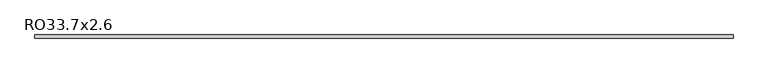
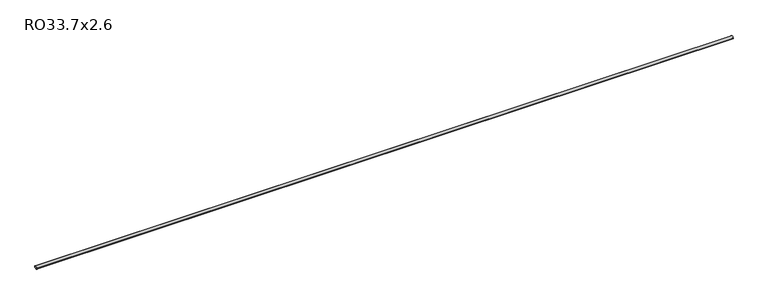
"""IFC4 building model written with IfcOpenShell, lengths in millimetres: beam geometry, RO33.7x2.6."""

import ifcopenshell
import ifcopenshell.guid

model = None  # the IFC model being written
_history = None  # IfcOwnerHistory: only IFC2X3 demands one
_inside = {}  # id of a spatial element -> (the spatial element, [elements in it])
_under = {}  # id of a project, library or spatial element -> (it, [spatial elements below it])
_declared = {}  # id of a project -> (the project, [libraries it declares])
_typed = {}  # id of a type object -> (the type object, [elements of that type])
_made_of = {}  # id of a material, layer set ... -> (it, [elements and type objects made of it])


def new_model(schema):
    """Start an empty IFC model of exactly this schema.

    Asked for "IFC4X3", IfcOpenShell would pick the latest addendum, in which some entities
    have other attributes; the version numbers below select the first issue.
    IFC2X3 requires an IfcOwnerHistory on every rooted entity: one is made here for all.
    """
    global model, _history
    if schema == "IFC4X3":
        model = ifcopenshell.file(schema_version=(4, 3, 0, 0))
    else:
        model = ifcopenshell.file(schema=schema)
    _inside.clear()
    _under.clear()
    _declared.clear()
    _typed.clear()
    _made_of.clear()
    _history = None
    if model.schema == "IFC2X3":
        org = make("IfcOrganization", Name="unknown")
        user = make(
            "IfcPersonAndOrganization",
            ThePerson=make("IfcPerson", FamilyName="unknown"),
            TheOrganization=org,
        )
        app = make(
            "IfcApplication",
            ApplicationDeveloper=org,
            Version="unknown",
            ApplicationFullName="unknown",
            ApplicationIdentifier="unknown",
        )
        _history = make(
            "IfcOwnerHistory",
            OwningUser=user,
            OwningApplication=app,
            ChangeAction="ADDED",
            CreationDate=0,
        )
    return model


def make(cls, **values):
    """One entity of the class cls with the attributes given. An attribute that is None is left unset."""
    return model.create_entity(
        cls, **{name: value for name, value in values.items() if value is not None}
    )


def rooted(cls, **values):
    """An entity with a GlobalId (a new one), such as an element, a storey or a relation."""
    return make(cls, GlobalId=ifcopenshell.guid.new(), OwnerHistory=_history, **values)


def si_unit(unit_type, name, prefix=None):
    """IfcSIUnit, for example si_unit("LENGTHUNIT", "METRE", prefix="MILLI")."""
    return make("IfcSIUnit", UnitType=unit_type, Prefix=prefix, Name=name)


def assignment(units):
    """IfcUnitAssignment: the units of a project."""
    return None if units is None else make("IfcUnitAssignment", Units=units)


def point(xyz):
    """IfcCartesianPoint."""
    return None if xyz is None else make("IfcCartesianPoint", Coordinates=xyz)


def direction(xyz):
    """IfcDirection."""
    return None if xyz is None else make("IfcDirection", DirectionRatios=xyz)


def frame(location, z_axis=None, x_axis=None):
    """IfcAxis2Placement3D, a coordinate frame: its origin and axes. An axis left out is left unset."""
    return make(
        "IfcAxis2Placement3D",
        Location=point(location),
        Axis=direction(z_axis),
        RefDirection=direction(x_axis),
    )


def frame_2d(location, x_axis=None):
    """IfcAxis2Placement2D, a coordinate frame in the plane: its origin and x axis."""
    return make(
        "IfcAxis2Placement2D", Location=point(location), RefDirection=direction(x_axis)
    )


def origin():
    """The frame at (0, 0, 0) with its axes left unset."""
    return frame((0.0, 0.0, 0.0))


def origin_2d():
    """The frame at (0, 0) in the plane with its x axis left unset."""
    return frame_2d((0.0, 0.0))


def place(relative_to, where):
    """IfcLocalPlacement: puts the frame where relative to a parent placement (None: the world)."""
    return make(
        "IfcLocalPlacement", PlacementRelTo=relative_to, RelativePlacement=where
    )


def context(
    kind, dimensions, precision=None, world=None, true_north=None, identifier=None
):
    """IfcGeometricRepresentationContext, for example the 3D "Model" context."""
    return make(
        "IfcGeometricRepresentationContext",
        ContextIdentifier=identifier,
        ContextType=kind,
        CoordinateSpaceDimension=dimensions,
        Precision=precision,
        WorldCoordinateSystem=world,
        TrueNorth=true_north,
    )


def project(units=None, contexts=None):
    """IfcProject with its units and contexts."""
    return rooted(
        "IfcProject",
        Name="project",
        RepresentationContexts=contexts,
        UnitsInContext=assignment(units),
    )


def spatial(cls, under=None, at=None, **own):
    """A site, building, storey or space (cls), placed at a placement, below another one or the project."""
    s = rooted(cls, ObjectPlacement=at, **own)
    if under is not None:
        _under.setdefault(under.id(), (under, []))[1].append(s)
    return s


def circle_curve(where, radius):
    """IfcCircle in the frame where."""
    return make("IfcCircle", Position=where, Radius=radius)


def trimmed(basis, trim1, trim2, sense, master):
    """IfcTrimmedCurve: the piece of a basis curve between two trims."""
    return make(
        "IfcTrimmedCurve",
        BasisCurve=basis,
        Trim1=trim1,
        Trim2=trim2,
        SenseAgreement=sense,
        MasterRepresentation=master,
    )


def segment(curve, same_sense, transition):
    """IfcCompositeCurveSegment."""
    return make(
        "IfcCompositeCurveSegment",
        Transition=transition,
        SameSense=same_sense,
        ParentCurve=curve,
    )


def composite_curve(segments, self_intersect=None):
    """IfcCompositeCurve: segments joined end to end."""
    return make("IfcCompositeCurve", Segments=segments, SelfIntersect=self_intersect)


def outline(outer, holes=None, kind="AREA"):
    """IfcArbitraryClosedProfileDef: a profile drawn as a closed curve; with holes, ...WithVoids."""
    if holes is None:
        return make("IfcArbitraryClosedProfileDef", ProfileType=kind, OuterCurve=outer)
    return make(
        "IfcArbitraryProfileDefWithVoids",
        ProfileType=kind,
        OuterCurve=outer,
        InnerCurves=holes,
    )


def extrude(swept, where, along, depth):
    """IfcExtrudedAreaSolid: the profile swept, set in the frame where, extruded along a direction by depth."""
    return make(
        "IfcExtrudedAreaSolid",
        SweptArea=swept,
        Position=where,
        ExtrudedDirection=direction(along),
        Depth=depth,
    )


def shape(context_of_items, identifier, shape_type, items):
    """IfcShapeRepresentation: the items that make up one representation, for example the "Body"."""
    return make(
        "IfcShapeRepresentation",
        ContextOfItems=context_of_items,
        RepresentationIdentifier=identifier,
        RepresentationType=shape_type,
        Items=items,
    )


def source(mapping_origin, context_of_items, identifier, shape_type, items):
    """IfcRepresentationMap: a shape defined once, which mapped items show again and again."""
    return make(
        "IfcRepresentationMap",
        MappingOrigin=mapping_origin,
        MappedRepresentation=shape(context_of_items, identifier, shape_type, items),
    )


def transform(
    local_origin,
    x_axis=None,
    y_axis=None,
    z_axis=None,
    scale=None,
    scale2=None,
    scale3=None,
    uniform=True,
):
    """IfcCartesianTransformationOperator3D, or its non-uniform kind. x_axis, y_axis, z_axis: its Axis1, 2, 3."""
    if uniform:
        return make(
            "IfcCartesianTransformationOperator3D",
            Axis1=direction(x_axis),
            Axis2=direction(y_axis),
            LocalOrigin=point(local_origin),
            Scale=scale,
            Axis3=direction(z_axis),
        )
    return make(
        "IfcCartesianTransformationOperator3DnonUniform",
        Axis1=direction(x_axis),
        Axis2=direction(y_axis),
        LocalOrigin=point(local_origin),
        Scale=scale,
        Axis3=direction(z_axis),
        Scale2=scale2,
        Scale3=scale3,
    )


def mapped(mapping_source, mapping_target):
    """IfcMappedItem: shows the shape of a source again, moved by a transform."""
    return make(
        "IfcMappedItem", MappingSource=mapping_source, MappingTarget=mapping_target
    )


def made_of(thing, what):
    """Note that an element or type object is made of a material, layer set ...; save() writes the relation."""
    if what is not None:
        _made_of.setdefault(what.id(), (what, []))[1].append(thing)
    return thing


def element(
    cls,
    number,
    at=None,
    inside=None,
    cuts=None,
    type_object=None,
    material=None,
    context=None,
    identifier="Body",
    shape_type=None,
    held_by="IfcProductDefinitionShape",
    body=None,
    shapes=None,
    **own,
):
    """One element of the class cls, such as IfcWall. Its Tag is "e" and its number.

    at: its placement. inside: the storey or other place that contains it. cuts: it is an
    opening in that element (IfcRelVoidsElement). A single representation is given by context,
    identifier, shape_type and body (its items); several are given by shapes. held_by: the class
    of the entity that holds the representations. save() writes the other relations.
    """
    e = rooted(cls, Tag="e%d" % number, ObjectPlacement=at, **own)
    if body is not None:
        shapes = [shape(context, identifier, shape_type, body)]
    if shapes is not None:
        e.Representation = make(held_by, Representations=shapes)
    if inside is not None:
        _inside.setdefault(inside.id(), (inside, []))[1].append(e)
    if cuts is not None:
        rooted(
            "IfcRelVoidsElement", RelatingBuildingElement=cuts, RelatedOpeningElement=e
        )
    if type_object is not None:
        _typed.setdefault(type_object.id(), (type_object, []))[1].append(e)
    return made_of(e, material)


def aggregate(whole, parts):
    """IfcRelAggregates: a whole, such as a stair, and the parts it consists of."""
    return rooted("IfcRelAggregates", RelatingObject=whole, RelatedObjects=parts)


def save(model, path):
    """Write the relations noted so far, then the file.

    IfcRelAggregates (storeys below a building ...), IfcRelContainedInSpatialStructure (elements
    in a storey), IfcRelDefinesByType, IfcRelAssociatesMaterial and IfcRelDeclares: one each for
    every whole, place, type object, material and project.
    """
    for whole, parts in _under.values():
        aggregate(whole, parts)
    for where, things in _inside.values():
        rooted(
            "IfcRelContainedInSpatialStructure",
            RelatedElements=things,
            RelatingStructure=where,
        )
    for kind, things in _typed.values():
        rooted("IfcRelDefinesByType", RelatedObjects=things, RelatingType=kind)
    for what, things in _made_of.values():
        rooted("IfcRelAssociatesMaterial", RelatedObjects=things, RelatingMaterial=what)
    for by, libraries in _declared.values():
        rooted("IfcRelDeclares", RelatingContext=by, RelatedDefinitions=libraries)
    model.write(path)


def ro33_7x2_6_38de1397(model_context):
    return source(origin(), model_context, "Body", "SweptSolid", [
        extrude(outline(composite_curve([segment(trimmed(circle_curve(origin_2d(), 16.85), [point((16.85, 0.0))], [point((-16.85, 0.0))], False, "CARTESIAN"), True, "CONTINUOUS"), segment(trimmed(circle_curve(origin_2d(), 16.85), [point((-16.85, 0.0))], [point((16.85, 0.0))], False, "CARTESIAN"), True, "CONTINUOUS")], self_intersect=False), holes=[composite_curve([segment(trimmed(circle_curve(origin_2d(), 14.25), [point((-14.25, 0.0))], [point((14.25, 0.0))], True, "CARTESIAN"), True, "CONTINUOUS"), segment(trimmed(circle_curve(origin_2d(), 14.25), [point((14.25, 0.0))], [point((-14.25, 0.0))], True, "CARTESIAN"), True, "CONTINUOUS")], self_intersect=False)]), frame((-3779.1, 0.0, 0.0), z_axis=(1.0, 0.0, 0.0), x_axis=(0.0, 1.0, 0.0)), (0.0, 0.0, 1.0), 7604.4),
    ])


if __name__ == "__main__":
    model = new_model("IFC4")
    model_context = context("Model", 3, world=origin())
    ifc_project = project(units=[si_unit("LENGTHUNIT", "METRE", prefix="MILLI")], contexts=[model_context])
    site = spatial("IfcSite", under=ifc_project)
    building = spatial("IfcBuilding", under=site)
    placement = place(None, origin())
    ro33_7x2_6_shape = ro33_7x2_6_38de1397(model_context)
    element("IfcBeam", 1, ObjectType="RO33.7x2.6", at=placement, inside=building, context=model_context, shape_type="MappedRepresentation", body=[
        mapped(ro33_7x2_6_shape, transform((0.0, 0.0, 0.0), x_axis=(1.0, 0.0, 0.0), y_axis=(0.0, 1.0, 0.0), z_axis=(0.0, 0.0, 1.0))),
    ])
    save(model, "model.ifc")
